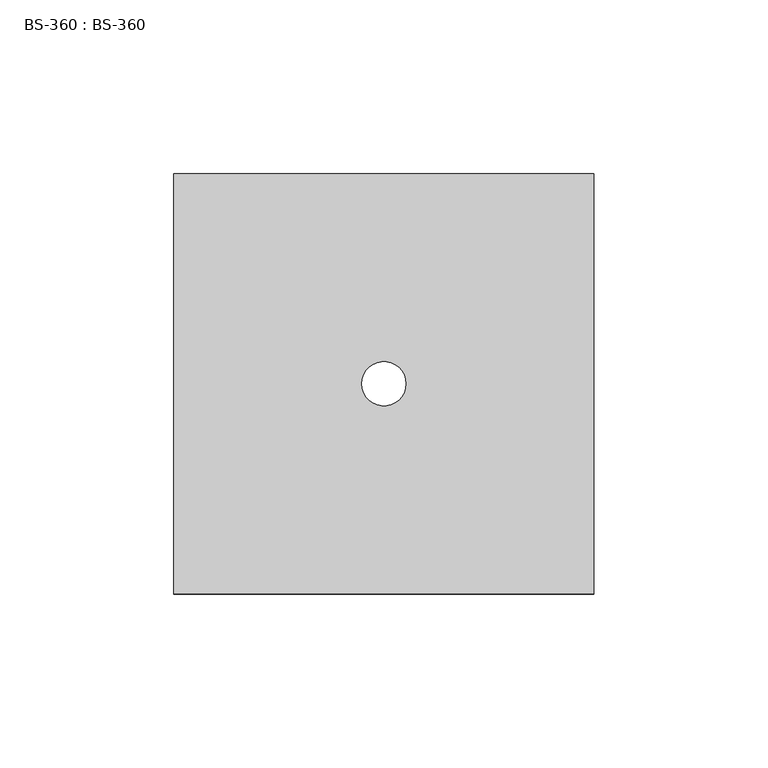
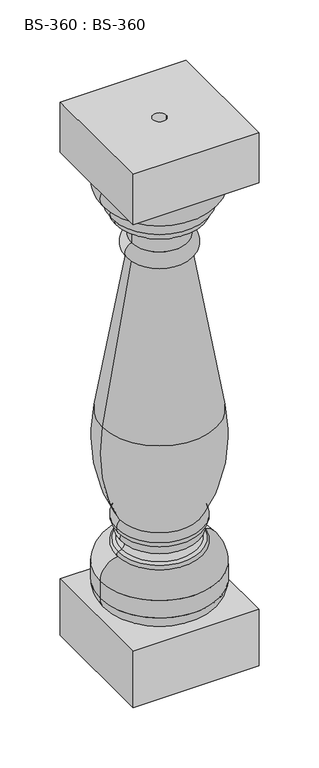
"""IFC4 building model written with IfcOpenShell, lengths in millimetres: proxy geometry, BS-360 : BS-360."""

from ifc_helpers import new_model, si_unit, point, frame, origin, place, context, project, spatial, polyline, circle_curve, ellipse_curve, trimmed, source, transform, mapped, element, save
from ifc_brep_helpers import plane_surface, cylinder_surface, revolved_surface, advanced_brep


def bs_360_bs_360_c8f3cf8a(model_context):
    return source(origin(), model_context, "Body", "AdvancedBrep", [
        advanced_brep(
        [(-60.325, -60.325, 539.75), (-60.325, -60.325, 488.95), (60.325, -60.325, 488.95), (60.325, -60.325, 539.75), (-60.325, 60.325, 539.75), (60.325, 60.325, 539.75), (60.325, 60.325, 488.95), (-60.325, 60.325, 488.95), (50.7779684, 0.0, 488.95), (-50.7779684, 0.0, 488.95), (-6.35, 0.0, 539.75), (6.35, 0.0, 539.75), (6.35, 0.0, 0.0), (-6.35, 0.0, 0.0), (-26.9875, 0.0, 406.4), (26.9875, 0.0, 406.4), (54.7784909, 0.0, 245.5968353), (-54.7784909, 0.0, 245.5968353), (-26.9875, 0.0, 422.275), (26.9875, 0.0, 422.275), (-26.9875, 0.0, 438.94375), (26.9875, 0.0, 438.94375), (-29.240873, 0.0, 441.9820437), (29.240873, 0.0, 441.9820437), (-40.609127, 0.0, 445.4304563), (40.609127, 0.0, 445.4304563), (-41.6277752, 0.0, 450.9819068), (41.6277752, 0.0, 450.9819068), (-45.5639974, 0.0, 463.55), (45.5639974, 0.0, 463.55), (-57.15, 0.0, 73.025), (57.15, 0.0, 73.025), (44.45, 0.0, 57.15), (-44.45, 0.0, 57.15), (-57.15, 0.0, 90.4875), (57.15, 0.0, 90.4875), (-38.8930619, 0.0, 109.520985), (38.8930619, 0.0, 109.520985), (-39.8684497, 0.0, 114.0913779), (39.8684497, 0.0, 114.0913779), (-36.5253584, 0.0, 115.5911792), (36.5253584, 0.0, 115.5911792), (-34.925, 0.0, 123.111435), (34.925, 0.0, 123.111435), (-35.8427758, 0.0, 130.580734), (35.8427758, 0.0, 130.580734), (-41.275, 0.0, 138.1125), (41.275, 0.0, 138.1125), (-38.0426788, 0.0, 145.9477051), (38.0426788, 0.0, 145.9477051), (-60.325, -60.325, 57.15), (-60.325, -60.325, 0.0), (60.325, -60.325, 0.0), (60.325, -60.325, 57.15), (-60.325, 60.325, 57.15), (60.325, 60.325, 57.15), (60.325, 60.325, 0.0), (-60.325, 60.325, 0.0)],
        [
            (0, 1),
            (1, 2),
            (2, 3),
            (3, 0),
            (4, 5),
            (5, 6),
            (6, 7),
            (7, 4),
            (0, 4),
            (7, 1),
            (6, 2),
            (8, 9, circle_curve(frame((0.0, 0.0, 488.95), z_axis=(0.0, 0.0, 1.0), x_axis=(1.0, 0.0, 0.0)), 50.7779684)),
            (9, 8, circle_curve(frame((0.0, 0.0, 488.95), z_axis=(0.0, 0.0, 1.0), x_axis=(1.0, 0.0, 0.0)), 50.7779684)),
            (5, 3),
            (10, 11, circle_curve(frame((0.0, 0.0, 539.75), z_axis=(0.0, 0.0, -1.0), x_axis=(1.0, 0.0, 0.0)), 6.35)),
            (11, 10, circle_curve(frame((0.0, 0.0, 539.75), z_axis=(0.0, 0.0, -1.0), x_axis=(1.0, 0.0, 0.0)), 6.35)),
            (12, 11),
            (10, 13),
            (13, 12, circle_curve(frame((0.0, 0.0, 0.0), z_axis=(0.0, 0.0, -1.0), x_axis=(1.0, 0.0, 0.0)), 6.35)),
            (12, 13, circle_curve(frame((0.0, 0.0, 0.0), z_axis=(0.0, 0.0, -1.0), x_axis=(1.0, 0.0, 0.0)), 6.35)),
            (14, 15, circle_curve(frame((0.0, 0.0, 406.4), z_axis=(0.0, 0.0, -1.0), x_axis=(1.0, 0.0, 0.0)), 26.9875)),
            (15, 16, circle_curve(frame((11169.7313893, 0.0, 2249.3543755), z_axis=(0.0, -1.0, 0.0), x_axis=(1.0, 0.0, 0.0)), 11294.1233486)),
            (16, 17, circle_curve(frame((0.0, 0.0, 245.5968353), z_axis=(0.0, 0.0, 1.0), x_axis=(1.0, 0.0, 0.0)), 54.7784909)),
            (17, 14, circle_curve(frame((-11169.7313893, 0.0, 2249.3543755), z_axis=(0.0, -1.0, 0.0), x_axis=(-1.0, 0.0, 0.0)), 11294.1233486)),
            (15, 14, circle_curve(frame((0.0, 0.0, 406.4), z_axis=(0.0, 0.0, -1.0), x_axis=(1.0, 0.0, 0.0)), 26.9875)),
            (17, 16, circle_curve(frame((0.0, 0.0, 245.5968353), z_axis=(0.0, 0.0, 1.0), x_axis=(1.0, 0.0, 0.0)), 54.7784909)),
            (14, 18, circle_curve(frame((-25.2015625, 0.0, 414.3375), z_axis=(0.0, 1.0, 0.0), x_axis=(-1.0, 0.0, 0.0)), 8.1359375)),
            (18, 19, circle_curve(frame((0.0, 0.0, 422.275), z_axis=(0.0, 0.0, -1.0), x_axis=(1.0, 0.0, 0.0)), 26.9875)),
            (19, 15, circle_curve(frame((25.2015625, 0.0, 414.3375), z_axis=(0.0, 1.0, 0.0), x_axis=(1.0, 0.0, 0.0)), 8.1359375)),
            (19, 18, circle_curve(frame((0.0, 0.0, 422.275), z_axis=(0.0, 0.0, -1.0), x_axis=(1.0, 0.0, 0.0)), 26.9875)),
            (18, 20),
            (20, 21, circle_curve(frame((0.0, 0.0, 438.94375), z_axis=(0.0, 0.0, -1.0), x_axis=(1.0, 0.0, 0.0)), 26.9875)),
            (21, 19),
            (21, 20, circle_curve(frame((0.0, 0.0, 438.94375), z_axis=(0.0, 0.0, -1.0), x_axis=(1.0, 0.0, 0.0)), 26.9875)),
            (20, 22, circle_curve(frame((-30.1625, 0.0, 438.94375), z_axis=(0.0, -1.0, 0.0), x_axis=(-1.0, 0.0, 0.0)), 3.175)),
            (22, 23, circle_curve(frame((0.0, 0.0, 441.9820437), z_axis=(0.0, 0.0, -1.0), x_axis=(1.0, 0.0, 0.0)), 29.240873)),
            (23, 21, circle_curve(frame((30.1625, 0.0, 438.94375), z_axis=(0.0, -1.0, 0.0), x_axis=(1.0, 0.0, 0.0)), 3.175)),
            (23, 22, circle_curve(frame((0.0, 0.0, 441.9820437), z_axis=(0.0, 0.0, -1.0), x_axis=(1.0, 0.0, 0.0)), 29.240873)),
            (22, 24),
            (24, 25, circle_curve(frame((0.0, 0.0, 445.4304563), z_axis=(0.0, 0.0, -1.0), x_axis=(1.0, 0.0, 0.0)), 40.609127)),
            (25, 23),
            (25, 24, circle_curve(frame((0.0, 0.0, 445.4304563), z_axis=(0.0, 0.0, -1.0), x_axis=(1.0, 0.0, 0.0)), 40.609127)),
            (24, 26, circle_curve(frame((-39.6875, 0.0, 448.46875), z_axis=(0.0, 1.0, 0.0), x_axis=(-1.0, 0.0, 0.0)), 3.175)),
            (26, 27, circle_curve(frame((0.0, 0.0, 450.9819068), z_axis=(0.0, 0.0, -1.0), x_axis=(1.0, 0.0, 0.0)), 41.6277752)),
            (27, 25, circle_curve(frame((39.6875, 0.0, 448.46875), z_axis=(0.0, 1.0, 0.0), x_axis=(1.0, 0.0, 0.0)), 3.175)),
            (27, 26, circle_curve(frame((0.0, 0.0, 450.9819068), z_axis=(0.0, 0.0, -1.0), x_axis=(1.0, 0.0, 0.0)), 41.6277752)),
            (26, 28, circle_curve(frame((-40.1526287, 0.0, 458.344353), z_axis=(0.0, 1.0, 0.0), x_axis=(-1.0, 0.0, 0.0)), 7.508773)),
            (28, 29, circle_curve(frame((0.0, 0.0, 463.55), z_axis=(0.0, 0.0, -1.0), x_axis=(1.0, 0.0, 0.0)), 45.5639974)),
            (29, 27, circle_curve(frame((40.1526287, 0.0, 458.344353), z_axis=(0.0, 1.0, 0.0), x_axis=(1.0, 0.0, 0.0)), 7.508773)),
            (29, 28, circle_curve(frame((0.0, 0.0, 463.55), z_axis=(0.0, 0.0, -1.0), x_axis=(1.0, 0.0, 0.0)), 45.5639974)),
            (28, 9, circle_curve(frame((-43.2936971, 0.0, 477.2511821), z_axis=(0.0, 1.0, 0.0), x_axis=(-1.0, 0.0, 0.0)), 13.888004)),
            (8, 29, circle_curve(frame((43.2936971, 0.0, 477.2511821), z_axis=(0.0, 1.0, 0.0), x_axis=(1.0, 0.0, 0.0)), 13.888004)),
            (30, 31, circle_curve(frame((0.0, 0.0, 73.025), z_axis=(0.0, 0.0, -1.0), x_axis=(1.0, 0.0, 0.0)), 57.15)),
            (31, 32, circle_curve(frame((40.878125, 0.0, 73.025), z_axis=(0.0, 1.0, 0.0), x_axis=(1.0, 0.0, 0.0)), 16.271875)),
            (32, 33, circle_curve(frame((0.0, 0.0, 57.15), z_axis=(0.0, 0.0, 1.0), x_axis=(1.0, 0.0, 0.0)), 44.45)),
            (33, 30, circle_curve(frame((-40.878125, 0.0, 73.025), z_axis=(0.0, 1.0, 0.0), x_axis=(-1.0, 0.0, 0.0)), 16.271875)),
            (31, 30, circle_curve(frame((0.0, 0.0, 73.025), z_axis=(0.0, 0.0, -1.0), x_axis=(1.0, 0.0, 0.0)), 57.15)),
            (33, 32, circle_curve(frame((0.0, 0.0, 57.15), z_axis=(0.0, 0.0, 1.0), x_axis=(1.0, 0.0, 0.0)), 44.45)),
            (30, 34),
            (34, 35, circle_curve(frame((0.0, 0.0, 90.4875), z_axis=(0.0, 0.0, -1.0), x_axis=(1.0, 0.0, 0.0)), 57.15)),
            (35, 31),
            (35, 34, circle_curve(frame((0.0, 0.0, 90.4875), z_axis=(0.0, 0.0, -1.0), x_axis=(1.0, 0.0, 0.0)), 57.15)),
            (34, 36, circle_curve(frame((-38.1, 0.0, 90.4875), z_axis=(0.0, 1.0, 0.0), x_axis=(-1.0, 0.0, 0.0)), 19.05)),
            (36, 37, circle_curve(frame((0.0, 0.0, 109.520985), z_axis=(0.0, 0.0, -1.0), x_axis=(1.0, 0.0, 0.0)), 38.8930619)),
            (37, 35, circle_curve(frame((38.1, 0.0, 90.4875), z_axis=(0.0, 1.0, 0.0), x_axis=(1.0, 0.0, 0.0)), 19.05)),
            (37, 36, circle_curve(frame((0.0, 0.0, 109.520985), z_axis=(0.0, 0.0, -1.0), x_axis=(1.0, 0.0, 0.0)), 38.8930619)),
            (36, 38, circle_curve(frame((-38.89375, 0.0, 111.91875), z_axis=(0.0, 1.0, 0.0), x_axis=(-1.0, 0.0, 0.0)), 2.38125)),
            (38, 39, circle_curve(frame((0.0, 0.0, 114.0913779), z_axis=(0.0, 0.0, -1.0), x_axis=(1.0, 0.0, 0.0)), 39.8684497)),
            (39, 37, circle_curve(frame((38.89375, 0.0, 111.91875), z_axis=(0.0, 1.0, 0.0), x_axis=(1.0, 0.0, 0.0)), 2.38125)),
            (39, 38, circle_curve(frame((0.0, 0.0, 114.0913779), z_axis=(0.0, 0.0, -1.0), x_axis=(1.0, 0.0, 0.0)), 39.8684497)),
            (38, 40),
            (40, 41, circle_curve(frame((0.0, 0.0, 115.5911792), z_axis=(0.0, 0.0, -1.0), x_axis=(1.0, 0.0, 0.0)), 36.5253584)),
            (41, 39),
            (41, 40, circle_curve(frame((0.0, 0.0, 115.5911792), z_axis=(0.0, 0.0, -1.0), x_axis=(1.0, 0.0, 0.0)), 36.5253584)),
            (40, 42, circle_curve(frame((-38.4747579, 0.0, 119.936435), z_axis=(0.0, -1.0, 0.0), x_axis=(-1.0, 0.0, 0.0)), 4.7625)),
            (42, 43, circle_curve(frame((0.0, 0.0, 123.111435), z_axis=(0.0, 0.0, -1.0), x_axis=(1.0, 0.0, 0.0)), 34.925)),
            (43, 41, circle_curve(frame((38.4747579, 0.0, 119.936435), z_axis=(0.0, -1.0, 0.0), x_axis=(1.0, 0.0, 0.0)), 4.7625)),
            (43, 42, circle_curve(frame((0.0, 0.0, 123.111435), z_axis=(0.0, 0.0, -1.0), x_axis=(1.0, 0.0, 0.0)), 34.925)),
            (42, 44, circle_curve(frame((-34.13125, 0.0, 127.0), z_axis=(0.0, 1.0, 0.0), x_axis=(-1.0, 0.0, 0.0)), 3.96875)),
            (44, 45, circle_curve(frame((0.0, 0.0, 130.580734), z_axis=(0.0, 0.0, -1.0), x_axis=(1.0, 0.0, 0.0)), 35.8427758)),
            (45, 43, circle_curve(frame((34.13125, 0.0, 127.0), z_axis=(0.0, 1.0, 0.0), x_axis=(1.0, 0.0, 0.0)), 3.96875)),
            (45, 44, circle_curve(frame((0.0, 0.0, 130.580734), z_axis=(0.0, 0.0, -1.0), x_axis=(1.0, 0.0, 0.0)), 35.8427758)),
            (44, 46, circle_curve(frame((-33.3375, 0.0, 138.1125), z_axis=(0.0, 1.0, 0.0), x_axis=(-1.0, 0.0, 0.0)), 7.9375)),
            (46, 47, circle_curve(frame((0.0, 0.0, 138.1125), z_axis=(0.0, 0.0, -1.0), x_axis=(1.0, 0.0, 0.0)), 41.275)),
            (47, 45, circle_curve(frame((33.3375, 0.0, 138.1125), z_axis=(0.0, 1.0, 0.0), x_axis=(1.0, 0.0, 0.0)), 7.9375)),
            (47, 46, circle_curve(frame((0.0, 0.0, 138.1125), z_axis=(0.0, 0.0, -1.0), x_axis=(1.0, 0.0, 0.0)), 41.275)),
            (46, 48, circle_curve(frame((-30.1625, 0.0, 138.1125), z_axis=(0.0, 1.0, 0.0), x_axis=(-1.0, 0.0, 0.0)), 11.1125)),
            (48, 49, circle_curve(frame((0.0, 0.0, 145.9477051), z_axis=(0.0, 0.0, -1.0), x_axis=(1.0, 0.0, 0.0)), 38.0426788)),
            (49, 47, circle_curve(frame((30.1625, 0.0, 138.1125), z_axis=(0.0, 1.0, 0.0), x_axis=(1.0, 0.0, 0.0)), 11.1125)),
            (49, 48, circle_curve(frame((0.0, 0.0, 145.9477051), z_axis=(0.0, 0.0, -1.0), x_axis=(1.0, 0.0, 0.0)), 38.0426788)),
            (16, 49, circle_curve(frame((-92.3395833, 0.0, 219.075), z_axis=(0.0, 1.0, 0.0), x_axis=(1.0, 0.0, 0.0)), 149.4895833)),
            (48, 17, circle_curve(frame((92.3395833, 0.0, 219.075), z_axis=(0.0, 1.0, 0.0), x_axis=(-1.0, 0.0, 0.0)), 149.4895833)),
            (50, 51),
            (51, 52),
            (52, 53),
            (53, 50),
            (54, 55),
            (55, 56),
            (56, 57),
            (57, 54),
            (50, 54),
            (57, 51),
            (56, 52),
            (55, 53),
        ],
        [
            plane_surface(frame((-60.325, -60.325, 482.6), z_axis=(0.0, -1.0, 0.0), x_axis=(0.0, 0.0, -1.0))),
            plane_surface(frame((-60.325, 60.325, 482.6), z_axis=(0.0, 1.0, 0.0), x_axis=(0.0, 0.0, 1.0))),
            plane_surface(frame((-60.325, -60.325, 539.75), z_axis=(-1.0, 0.0, 0.0), x_axis=(0.0, 1.0, 0.0))),
            plane_surface(frame((-60.325, -60.325, 488.95), z_axis=(0.0, 0.0, -1.0), x_axis=(0.0, 1.0, 0.0))),
            plane_surface(frame((60.325, -60.325, 488.95), z_axis=(1.0, 0.0, 0.0), x_axis=(0.0, 1.0, 0.0))),
            plane_surface(frame((60.325, -60.325, 539.75), z_axis=(0.0, 0.0, 1.0), x_axis=(0.0, 1.0, 0.0))),
            revolved_surface(polyline([(6.35, 0.0, 0.0), (6.35, 0.0, 539.75)]), (0.0, 0.0, 539.75), (0.0, 0.0, -1.0)),
            revolved_surface(trimmed(ellipse_curve(frame((11169.7313893, 0.0, 2249.3543755), z_axis=(0.0, 1.0, 0.0), x_axis=(1.0, 0.0, 0.0)), 11294.1233486, 11294.1233486), [point((54.7784909, 0.0, 245.5968353))], [point((26.9875, 0.0, 406.4))], True, "CARTESIAN"), (0.0, 0.0, 57.15), (0.0, 0.0, 1.0)),
            revolved_surface(trimmed(ellipse_curve(frame((25.2015625, 0.0, 414.3375), z_axis=(0.0, -1.0, 0.0), x_axis=(1.0, 0.0, 0.0)), 8.1359375, 8.1359375), [point((26.9875, 0.0, 406.4))], [point((26.9875, 0.0, 422.275))], True, "CARTESIAN"), (0.0, 0.0, 57.15), (0.0, 0.0, 1.0)),
            cylinder_surface(frame((0.0, 0.0, 57.15), z_axis=(0.0, 0.0, 1.0), x_axis=(1.0, 0.0, 0.0)), 26.9875),
            revolved_surface(trimmed(ellipse_curve(frame((30.1625, 0.0, 438.94375), z_axis=(0.0, 1.0, 0.0), x_axis=(1.0, 0.0, 0.0)), 3.175, 3.175), [point((26.9875, 0.0, 438.94375))], [point((29.240873, 0.0, 441.9820437))], True, "CARTESIAN"), (0.0, 0.0, 57.15), (0.0, 0.0, 1.0)),
            revolved_surface(polyline([(29.240873, 0.0, 441.9820437), (40.609127, 0.0, 445.4304563)]), (0.0, 0.0, 57.15), (0.0, 0.0, 1.0)),
            revolved_surface(trimmed(ellipse_curve(frame((39.6875, 0.0, 448.46875), z_axis=(0.0, -1.0, 0.0), x_axis=(1.0, 0.0, 0.0)), 3.175, 3.175), [point((40.609127, 0.0, 445.4304563))], [point((41.6277752, 0.0, 450.9819068))], True, "CARTESIAN"), (0.0, 0.0, 57.15), (0.0, 0.0, 1.0)),
            revolved_surface(trimmed(ellipse_curve(frame((40.1526287, 0.0, 458.344353), z_axis=(0.0, -1.0, 0.0), x_axis=(1.0, 0.0, 0.0)), 7.508773, 7.508773), [point((41.6277752, 0.0, 450.9819068))], [point((45.5639974, 0.0, 463.55))], True, "CARTESIAN"), (0.0, 0.0, 57.15), (0.0, 0.0, 1.0)),
            revolved_surface(trimmed(ellipse_curve(frame((43.2936971, 0.0, 477.2511821), z_axis=(0.0, -1.0, 0.0), x_axis=(1.0, 0.0, 0.0)), 13.888004, 13.888004), [point((45.5639974, 0.0, 463.55))], [point((50.7779684, 0.0, 488.95))], True, "CARTESIAN"), (0.0, 0.0, 57.15), (0.0, 0.0, 1.0)),
            revolved_surface(trimmed(ellipse_curve(frame((40.878125, 0.0, 73.025), z_axis=(0.0, -1.0, 0.0), x_axis=(1.0, 0.0, 0.0)), 16.271875, 16.271875), [point((44.45, 0.0, 57.15))], [point((57.15, 0.0, 73.025))], True, "CARTESIAN"), (0.0, 0.0, 57.15), (0.0, 0.0, 1.0)),
            cylinder_surface(frame((0.0, 0.0, 57.15), z_axis=(0.0, 0.0, 1.0), x_axis=(1.0, 0.0, 0.0)), 57.15),
            revolved_surface(trimmed(ellipse_curve(frame((38.1, 0.0, 90.4875), z_axis=(0.0, -1.0, 0.0), x_axis=(1.0, 0.0, 0.0)), 19.05, 19.05), [point((57.15, 0.0, 90.4875))], [point((38.8930619, 0.0, 109.520985))], True, "CARTESIAN"), (0.0, 0.0, 57.15), (0.0, 0.0, 1.0)),
            revolved_surface(trimmed(ellipse_curve(frame((38.89375, 0.0, 111.91875), z_axis=(0.0, -1.0, 0.0), x_axis=(1.0, 0.0, 0.0)), 2.38125, 2.38125), [point((38.89375, 0.0, 109.5375))], [point((39.8684497, 0.0, 114.0913779))], True, "CARTESIAN"), (0.0, 0.0, 57.15), (0.0, 0.0, 1.0)),
            revolved_surface(polyline([(39.8684497, 0.0, 114.0913779), (36.5253584, 0.0, 115.5911792)]), (0.0, 0.0, 57.15), (0.0, 0.0, 1.0)),
            revolved_surface(trimmed(ellipse_curve(frame((38.4747579, 0.0, 119.936435), z_axis=(0.0, 1.0, 0.0), x_axis=(1.0, 0.0, 0.0)), 4.7625, 4.7625), [point((36.5253584, 0.0, 115.5911792))], [point((34.925, 0.0, 123.111435))], True, "CARTESIAN"), (0.0, 0.0, 57.15), (0.0, 0.0, 1.0)),
            revolved_surface(trimmed(ellipse_curve(frame((34.13125, 0.0, 127.0), z_axis=(0.0, -1.0, 0.0), x_axis=(1.0, 0.0, 0.0)), 3.96875, 3.96875), [point((34.925, 0.0, 123.111435))], [point((35.8427758, 0.0, 130.580734))], True, "CARTESIAN"), (0.0, 0.0, 57.15), (0.0, 0.0, 1.0)),
            revolved_surface(trimmed(ellipse_curve(frame((33.3375, 0.0, 138.1125), z_axis=(0.0, -1.0, 0.0), x_axis=(1.0, 0.0, 0.0)), 7.9375, 7.9375), [point((35.8427758, 0.0, 130.580734))], [point((41.275, 0.0, 138.1125))], True, "CARTESIAN"), (0.0, 0.0, 57.15), (0.0, 0.0, 1.0)),
            revolved_surface(trimmed(ellipse_curve(frame((30.1625, 0.0, 138.1125), z_axis=(0.0, -1.0, 0.0), x_axis=(1.0, 0.0, 0.0)), 11.1125, 11.1125), [point((41.275, 0.0, 138.1125))], [point((38.0426788, 0.0, 145.9477051))], True, "CARTESIAN"), (0.0, 0.0, 57.15), (0.0, 0.0, 1.0)),
            revolved_surface(trimmed(ellipse_curve(frame((-92.3395833, 0.0, 219.075), z_axis=(0.0, -1.0, 0.0), x_axis=(1.0, 0.0, 0.0)), 149.4895833, 149.4895833), [point((38.0426788, 0.0, 145.9477051))], [point((54.7784909, 0.0, 245.5968353))], True, "CARTESIAN"), (0.0, 0.0, 57.15), (0.0, 0.0, 1.0)),
            plane_surface(frame((-60.325, -60.325, 0.0), z_axis=(0.0, -1.0, 0.0), x_axis=(0.0, 0.0, -1.0))),
            plane_surface(frame((-60.325, 60.325, 0.0), z_axis=(0.0, 1.0, 0.0), x_axis=(0.0, 0.0, 1.0))),
            plane_surface(frame((-60.325, -60.325, 57.15), z_axis=(-1.0, 0.0, 0.0), x_axis=(0.0, 1.0, 0.0))),
            plane_surface(frame((-60.325, -60.325, 0.0), z_axis=(0.0, 0.0, -1.0), x_axis=(0.0, 1.0, 0.0))),
            plane_surface(frame((60.325, -60.325, 0.0), z_axis=(1.0, 0.0, 0.0), x_axis=(0.0, 1.0, 0.0))),
            plane_surface(frame((60.325, -60.325, 57.15), z_axis=(0.0, 0.0, 1.0), x_axis=(0.0, 1.0, 0.0))),
        ],
        [
            (0, [[1, 2, 3, 4]]),
            (1, [[5, 6, 7, 8]]),
            (2, [[-1, 9, -8, 10]]),
            (3, [[-2, -10, -7, 11], [12, 13]]),
            (4, [[-3, -11, -6, 14]]),
            (5, [[-4, -14, -5, -9], [15, 16]]),
            (6, [[17, -15, 18, 19]]),
            (6, [[-17, 20, -18, -16]]),
            (7, [[21, 22, 23, 24]]),
            (7, [[-22, 25, -24, 26]]),
            (8, [[-21, 27, 28, 29]]),
            (8, [[-25, -29, 30, -27]]),
            (9, [[-28, 31, 32, 33]]),
            (9, [[-30, -33, 34, -31]]),
            (10, [[-32, 35, 36, 37]]),
            (10, [[-34, -37, 38, -35]]),
            (11, [[-36, 39, 40, 41]]),
            (11, [[-38, -41, 42, -39]]),
            (12, [[-40, 43, 44, 45]]),
            (12, [[-42, -45, 46, -43]]),
            (13, [[-44, 47, 48, 49]]),
            (13, [[-46, -49, 50, -47]]),
            (14, [[-48, 51, -12, 52]]),
            (14, [[-50, -52, -13, -51]]),
            (15, [[53, 54, 55, 56]]),
            (15, [[-54, 57, -56, 58]]),
            (16, [[-53, 59, 60, 61]]),
            (16, [[-57, -61, 62, -59]]),
            (17, [[-60, 63, 64, 65]]),
            (17, [[-62, -65, 66, -63]]),
            (18, [[-64, 67, 68, 69]]),
            (18, [[-66, -69, 70, -67]]),
            (19, [[-68, 71, 72, 73]]),
            (19, [[-70, -73, 74, -71]]),
            (20, [[-72, 75, 76, 77]]),
            (20, [[-74, -77, 78, -75]]),
            (21, [[-76, 79, 80, 81]]),
            (21, [[-78, -81, 82, -79]]),
            (22, [[-80, 83, 84, 85]]),
            (22, [[-82, -85, 86, -83]]),
            (23, [[-84, 87, 88, 89]]),
            (23, [[-86, -89, 90, -87]]),
            (24, [[-23, 91, -88, 92]]),
            (24, [[-26, -92, -90, -91]]),
            (25, [[93, 94, 95, 96]]),
            (26, [[97, 98, 99, 100]]),
            (27, [[-93, 101, -100, 102]]),
            (28, [[-94, -102, -99, 103], [-19, -20]]),
            (29, [[-95, -103, -98, 104]]),
            (30, [[-96, -104, -97, -101], [-55, -58]]),
        ],
    ),
    ])


if __name__ == "__main__":
    model = new_model("IFC4")
    model_context = context("Model", 3, world=origin())
    ifc_project = project(units=[si_unit("LENGTHUNIT", "METRE", prefix="MILLI")], contexts=[model_context])
    site = spatial("IfcSite", under=ifc_project)
    building = spatial("IfcBuilding", under=site)
    placement = place(None, origin())
    bs_360_bs_360_shape = bs_360_bs_360_c8f3cf8a(model_context)
    element("IfcBuildingElementProxy", 1, Name="BS-360 : BS-360", ObjectType="BS-360 : BS-360", at=placement, inside=building, context=model_context, shape_type="MappedRepresentation", body=[
        mapped(bs_360_bs_360_shape, transform((0.0, 0.0, 0.0), x_axis=(1.0, 0.0, 0.0), y_axis=(0.0, 1.0, 0.0), z_axis=(0.0, 0.0, 1.0))),
    ])
    save(model, "model.ifc")
